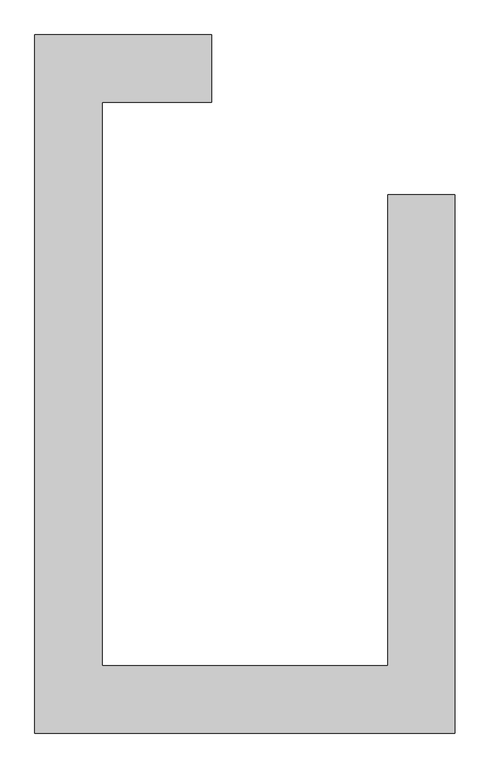
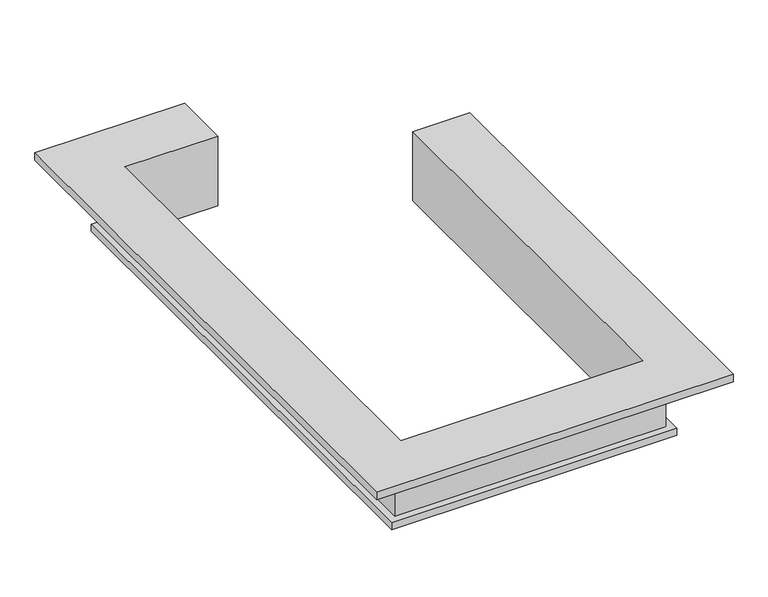
"""IFC4 building model written with IfcOpenShell, lengths in millimetres: beam geometry."""

import ifcopenshell
import ifcopenshell.guid

model = None  # the IFC model being written
_history = None  # IfcOwnerHistory: only IFC2X3 demands one
_inside = {}  # id of a spatial element -> (the spatial element, [elements in it])
_under = {}  # id of a project, library or spatial element -> (it, [spatial elements below it])
_declared = {}  # id of a project -> (the project, [libraries it declares])
_typed = {}  # id of a type object -> (the type object, [elements of that type])
_made_of = {}  # id of a material, layer set ... -> (it, [elements and type objects made of it])


def new_model(schema):
    """Start an empty IFC model of exactly this schema.

    Asked for "IFC4X3", IfcOpenShell would pick the latest addendum, in which some entities
    have other attributes; the version numbers below select the first issue.
    IFC2X3 requires an IfcOwnerHistory on every rooted entity: one is made here for all.
    """
    global model, _history
    if schema == "IFC4X3":
        model = ifcopenshell.file(schema_version=(4, 3, 0, 0))
    else:
        model = ifcopenshell.file(schema=schema)
    _inside.clear()
    _under.clear()
    _declared.clear()
    _typed.clear()
    _made_of.clear()
    _history = None
    if model.schema == "IFC2X3":
        org = make("IfcOrganization", Name="unknown")
        user = make(
            "IfcPersonAndOrganization",
            ThePerson=make("IfcPerson", FamilyName="unknown"),
            TheOrganization=org,
        )
        app = make(
            "IfcApplication",
            ApplicationDeveloper=org,
            Version="unknown",
            ApplicationFullName="unknown",
            ApplicationIdentifier="unknown",
        )
        _history = make(
            "IfcOwnerHistory",
            OwningUser=user,
            OwningApplication=app,
            ChangeAction="ADDED",
            CreationDate=0,
        )
    return model


def make(cls, **values):
    """One entity of the class cls with the attributes given. An attribute that is None is left unset."""
    return model.create_entity(
        cls, **{name: value for name, value in values.items() if value is not None}
    )


def rooted(cls, **values):
    """An entity with a GlobalId (a new one), such as an element, a storey or a relation."""
    return make(cls, GlobalId=ifcopenshell.guid.new(), OwnerHistory=_history, **values)


def si_unit(unit_type, name, prefix=None):
    """IfcSIUnit, for example si_unit("LENGTHUNIT", "METRE", prefix="MILLI")."""
    return make("IfcSIUnit", UnitType=unit_type, Prefix=prefix, Name=name)


def assignment(units):
    """IfcUnitAssignment: the units of a project."""
    return None if units is None else make("IfcUnitAssignment", Units=units)


def point(xyz):
    """IfcCartesianPoint."""
    return None if xyz is None else make("IfcCartesianPoint", Coordinates=xyz)


def direction(xyz):
    """IfcDirection."""
    return None if xyz is None else make("IfcDirection", DirectionRatios=xyz)


def frame(location, z_axis=None, x_axis=None):
    """IfcAxis2Placement3D, a coordinate frame: its origin and axes. An axis left out is left unset."""
    return make(
        "IfcAxis2Placement3D",
        Location=point(location),
        Axis=direction(z_axis),
        RefDirection=direction(x_axis),
    )


def origin():
    """The frame at (0, 0, 0) with its axes left unset."""
    return frame((0.0, 0.0, 0.0))


def place(relative_to, where):
    """IfcLocalPlacement: puts the frame where relative to a parent placement (None: the world)."""
    return make(
        "IfcLocalPlacement", PlacementRelTo=relative_to, RelativePlacement=where
    )


def context(
    kind, dimensions, precision=None, world=None, true_north=None, identifier=None
):
    """IfcGeometricRepresentationContext, for example the 3D "Model" context."""
    return make(
        "IfcGeometricRepresentationContext",
        ContextIdentifier=identifier,
        ContextType=kind,
        CoordinateSpaceDimension=dimensions,
        Precision=precision,
        WorldCoordinateSystem=world,
        TrueNorth=true_north,
    )


def project(units=None, contexts=None):
    """IfcProject with its units and contexts."""
    return rooted(
        "IfcProject",
        Name="project",
        RepresentationContexts=contexts,
        UnitsInContext=assignment(units),
    )


def spatial(cls, under=None, at=None, **own):
    """A site, building, storey or space (cls), placed at a placement, below another one or the project."""
    s = rooted(cls, ObjectPlacement=at, **own)
    if under is not None:
        _under.setdefault(under.id(), (under, []))[1].append(s)
    return s


def faces_of(points, faces, orient=None, outer=None):
    """IfcFace entities. A face is a list of loops; a loop is a list of indices into points, from 0.

    orient and outer hold one flag for each loop. By default every Orientation is true, the
    first loop of a face is its IfcFaceOuterBound and the others are IfcFaceBound.
    """
    made = []
    for i, loops in enumerate(faces):
        bounds = []
        for j, loop in enumerate(loops):
            is_outer = j == 0 if outer is None else outer[i][j]
            bounds.append(
                make(
                    "IfcFaceOuterBound" if is_outer else "IfcFaceBound",
                    Bound=make("IfcPolyLoop", Polygon=[points[k] for k in loop]),
                    Orientation=True if orient is None else orient[i][j],
                )
            )
        made.append(make("IfcFace", Bounds=bounds))
    return made


def faceted_brep(points, faces, orient=None, outer=None, voids=None):
    """IfcFacetedBrep: a solid bounded by flat faces; with voids (closed shells), ...WithVoids."""
    shared = [point(p) for p in points]
    hull = make("IfcClosedShell", CfsFaces=faces_of(shared, faces, orient, outer))
    if voids is None:
        return make("IfcFacetedBrep", Outer=hull)
    return make(
        "IfcFacetedBrepWithVoids",
        Outer=hull,
        Voids=[
            make(cls, CfsFaces=faces_of(shared, fs, o, b)) for cls, fs, o, b in voids
        ],
    )


def shape(context_of_items, identifier, shape_type, items):
    """IfcShapeRepresentation: the items that make up one representation, for example the "Body"."""
    return make(
        "IfcShapeRepresentation",
        ContextOfItems=context_of_items,
        RepresentationIdentifier=identifier,
        RepresentationType=shape_type,
        Items=items,
    )


def source(mapping_origin, context_of_items, identifier, shape_type, items):
    """IfcRepresentationMap: a shape defined once, which mapped items show again and again."""
    return make(
        "IfcRepresentationMap",
        MappingOrigin=mapping_origin,
        MappedRepresentation=shape(context_of_items, identifier, shape_type, items),
    )


def transform(
    local_origin,
    x_axis=None,
    y_axis=None,
    z_axis=None,
    scale=None,
    scale2=None,
    scale3=None,
    uniform=True,
):
    """IfcCartesianTransformationOperator3D, or its non-uniform kind. x_axis, y_axis, z_axis: its Axis1, 2, 3."""
    if uniform:
        return make(
            "IfcCartesianTransformationOperator3D",
            Axis1=direction(x_axis),
            Axis2=direction(y_axis),
            LocalOrigin=point(local_origin),
            Scale=scale,
            Axis3=direction(z_axis),
        )
    return make(
        "IfcCartesianTransformationOperator3DnonUniform",
        Axis1=direction(x_axis),
        Axis2=direction(y_axis),
        LocalOrigin=point(local_origin),
        Scale=scale,
        Axis3=direction(z_axis),
        Scale2=scale2,
        Scale3=scale3,
    )


def mapped(mapping_source, mapping_target):
    """IfcMappedItem: shows the shape of a source again, moved by a transform."""
    return make(
        "IfcMappedItem", MappingSource=mapping_source, MappingTarget=mapping_target
    )


def made_of(thing, what):
    """Note that an element or type object is made of a material, layer set ...; save() writes the relation."""
    if what is not None:
        _made_of.setdefault(what.id(), (what, []))[1].append(thing)
    return thing


def element(
    cls,
    number,
    at=None,
    inside=None,
    cuts=None,
    type_object=None,
    material=None,
    context=None,
    identifier="Body",
    shape_type=None,
    held_by="IfcProductDefinitionShape",
    body=None,
    shapes=None,
    **own,
):
    """One element of the class cls, such as IfcWall. Its Tag is "e" and its number.

    at: its placement. inside: the storey or other place that contains it. cuts: it is an
    opening in that element (IfcRelVoidsElement). A single representation is given by context,
    identifier, shape_type and body (its items); several are given by shapes. held_by: the class
    of the entity that holds the representations. save() writes the other relations.
    """
    e = rooted(cls, Tag="e%d" % number, ObjectPlacement=at, **own)
    if body is not None:
        shapes = [shape(context, identifier, shape_type, body)]
    if shapes is not None:
        e.Representation = make(held_by, Representations=shapes)
    if inside is not None:
        _inside.setdefault(inside.id(), (inside, []))[1].append(e)
    if cuts is not None:
        rooted(
            "IfcRelVoidsElement", RelatingBuildingElement=cuts, RelatedOpeningElement=e
        )
    if type_object is not None:
        _typed.setdefault(type_object.id(), (type_object, []))[1].append(e)
    return made_of(e, material)


def aggregate(whole, parts):
    """IfcRelAggregates: a whole, such as a stair, and the parts it consists of."""
    return rooted("IfcRelAggregates", RelatingObject=whole, RelatedObjects=parts)


def save(model, path):
    """Write the relations noted so far, then the file.

    IfcRelAggregates (storeys below a building ...), IfcRelContainedInSpatialStructure (elements
    in a storey), IfcRelDefinesByType, IfcRelAssociatesMaterial and IfcRelDeclares: one each for
    every whole, place, type object, material and project.
    """
    for whole, parts in _under.values():
        aggregate(whole, parts)
    for where, things in _inside.values():
        rooted(
            "IfcRelContainedInSpatialStructure",
            RelatedElements=things,
            RelatingStructure=where,
        )
    for kind, things in _typed.values():
        rooted("IfcRelDefinesByType", RelatedObjects=things, RelatingType=kind)
    for what, things in _made_of.values():
        rooted("IfcRelAssociatesMaterial", RelatedObjects=things, RelatingMaterial=what)
    for by, libraries in _declared.values():
        rooted("IfcRelDeclares", RelatingContext=by, RelatedDefinitions=libraries)
    model.write(path)


def beam_3efa986a(model_context):
    return source(origin(), model_context, "Body", "Brep", [
        faceted_brep([(-9667.9488808, 5351.187898, 9620.0), (-9667.9488808, 5351.187898, 10270.0), (-9667.9488808, 5601.187898, 10270.0), (-9667.9488808, 5601.187898, 10440.0), (-9667.9488808, 5951.187898, 10440.0), (-9667.9488808, 5951.187898, 10550.0), (-9667.9488808, 5151.187898, 10550.0), (-9667.9488808, 5151.187898, 9520.0), (-9667.9488808, 5451.187898, 9520.0), (-9667.9488808, 5451.187898, 9620.0), (-11267.9488808, 5451.187898, 9620.0), (-11267.9488808, -1848.812102, 9620.0), (-7267.9488808, -1848.812102, 9620.0), (-7267.9488808, 4051.1929483, 9620.0), (-7367.9488808, 4051.1929483, 9620.0), (-7367.9488808, -1748.812102, 9620.0), (-11167.9488808, -1748.812102, 9620.0), (-11167.9488808, 5351.187898, 9620.0), (-11267.9488808, 5451.187898, 9520.0), (-10967.9488808, 5151.187898, 9520.0), (-10967.9488808, -1548.812102, 9520.0), (-7567.9488808, -1548.812102, 9520.0), (-7567.9488808, 4051.1929483, 9520.0), (-7267.9488808, 4051.1929483, 9520.0), (-7267.9488808, -1848.812102, 9520.0), (-11267.9488808, -1848.812102, 9520.0), (-10967.9488808, 5151.187898, 10550.0), (-11767.9488808, 5951.187898, 10550.0), (-11767.9488808, -2348.812102, 10550.0), (-6767.9488808, -2348.812102, 10550.0), (-6767.9488808, 4051.1929483, 10550.0), (-7567.9488808, 4051.1929483, 10550.0), (-7567.9488808, -1548.812102, 10550.0), (-10967.9488808, -1548.812102, 10550.0), (-11767.9488808, 5951.187898, 10440.0), (-11417.9488808, 5601.187898, 10440.0), (-11417.9488808, -1998.812102, 10440.0), (-7117.9488808, -1998.812102, 10440.0), (-7117.9488808, 4051.1929483, 10440.0), (-6767.9488808, 4051.1929483, 10440.0), (-6767.9488808, -2348.812102, 10440.0), (-11767.9488808, -2348.812102, 10440.0), (-11417.9488808, 5601.187898, 10270.0), (-11167.9488808, 5351.187898, 10270.0), (-11167.9488808, -1748.812102, 10270.0), (-7367.9488808, -1748.812102, 10270.0), (-7367.9488808, 4051.1929483, 10270.0), (-7117.9488808, 4051.1929483, 10270.0), (-7117.9488808, -1998.812102, 10270.0), (-11417.9488808, -1998.812102, 10270.0)], [[[0, 1, 2, 3, 4, 5, 6, 7, 8, 9]], [[0, 9, 10, 11, 12, 13, 14, 15, 16, 17]], [[9, 8, 18, 10]], [[8, 7, 19, 20, 21, 22, 23, 24, 25, 18]], [[7, 6, 26, 19]], [[6, 5, 27, 28, 29, 30, 31, 32, 33, 26]], [[5, 4, 34, 27]], [[4, 3, 35, 36, 37, 38, 39, 40, 41, 34]], [[3, 2, 42, 35]], [[2, 1, 43, 44, 45, 46, 47, 48, 49, 42]], [[10, 18, 25, 11]], [[19, 26, 33, 20]], [[27, 34, 41, 28]], [[35, 42, 49, 36]], [[11, 25, 24, 12]], [[20, 33, 32, 21]], [[28, 41, 40, 29]], [[36, 49, 48, 37]], [[46, 14, 13, 23, 22, 31, 30, 39, 38, 47]], [[12, 24, 23, 13]], [[21, 32, 31, 22]], [[29, 40, 39, 30]], [[37, 48, 47, 38]], [[0, 17, 43, 1]], [[43, 17, 16, 44]], [[44, 16, 15, 45]], [[45, 15, 14, 46]]]),
    ])


if __name__ == "__main__":
    model = new_model("IFC4")
    model_context = context("Model", 3, world=origin())
    ifc_project = project(units=[si_unit("LENGTHUNIT", "METRE", prefix="MILLI")], contexts=[model_context])
    site = spatial("IfcSite", under=ifc_project)
    building = spatial("IfcBuilding", under=site)
    placement = place(None, origin())
    beam_shape = beam_3efa986a(model_context)
    element("IfcBeam", 1, at=placement, inside=building, context=model_context, shape_type="MappedRepresentation", body=[
        mapped(beam_shape, transform((0.0, 0.0, 0.0), x_axis=(1.0, 0.0, 0.0), y_axis=(0.0, 1.0, 0.0), z_axis=(0.0, 0.0, 1.0))),
    ])
    save(model, "model.ifc")
